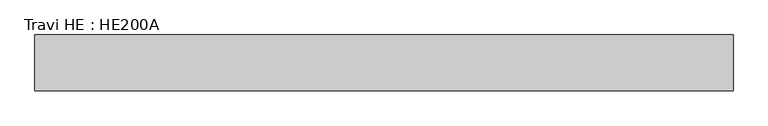
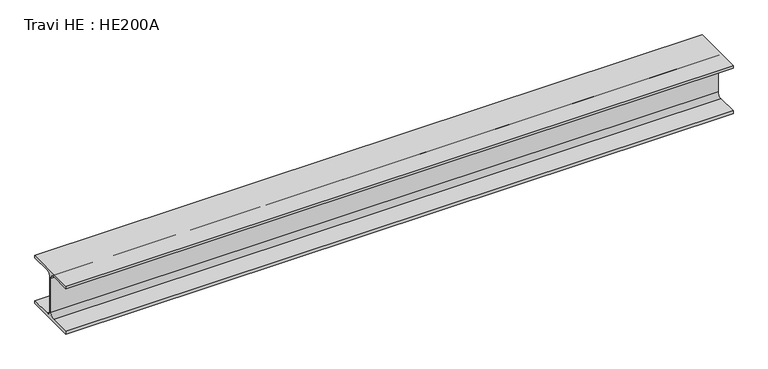
"""IFC4 building model written with IfcOpenShell, lengths in millimetres: beam geometry, Travi HE : HE200A."""

from ifc_helpers import new_model, si_unit, point, frame, frame_2d, origin, place, context, project, spatial, polyline, circle_curve, trimmed, segment, composite_curve, outline, extrude, source, transform, mapped, element, save


def travi_he_he200a_e0025ef2(model_context):
    return source(origin(), model_context, "Body", "SweptSolid", [
        extrude(outline(composite_curve([segment(polyline([(100.0, -85.0), (100.0, -95.0), (-100.0, -95.0), (-100.0, -85.0), (-21.25, -85.0)]), True, "CONTINUOUS"), segment(trimmed(circle_curve(frame_2d((-21.25, -67.0)), 18.0), [point((-21.25, -85.0))], [point((-3.25, -67.0))], True, "CARTESIAN"), True, "CONTINUOUS"), segment(polyline([(-3.25, -67.0), (-3.25, 67.0)]), True, "CONTINUOUS"), segment(trimmed(circle_curve(frame_2d((-21.25, 67.0)), 18.0), [point((-3.25, 67.0))], [point((-21.25, 85.0))], True, "CARTESIAN"), True, "CONTINUOUS"), segment(polyline([(-21.25, 85.0), (-100.0, 85.0), (-100.0, 95.0), (100.0, 95.0), (100.0, 85.0), (21.25, 85.0)]), True, "CONTINUOUS"), segment(trimmed(circle_curve(frame_2d((21.25, 67.0)), 18.0), [point((21.25, 85.0))], [point((3.25, 67.0))], True, "CARTESIAN"), True, "CONTINUOUS"), segment(polyline([(3.25, 67.0), (3.25, -67.0)]), True, "CONTINUOUS"), segment(trimmed(circle_curve(frame_2d((21.25, -67.0)), 18.0), [point((3.25, -67.0))], [point((21.25, -85.0))], True, "CARTESIAN"), True, "CONTINUOUS"), segment(polyline([(21.25, -85.0), (100.0, -85.0)]), True, "CONTINUOUS")], self_intersect=False)), frame((-1250.0, 0.0, 0.0), z_axis=(1.0, 0.0, 0.0), x_axis=(0.0, 1.0, 0.0)), (0.0, 0.0, 1.0), 2500.0),
    ])


if __name__ == "__main__":
    model = new_model("IFC4")
    model_context = context("Model", 3, world=origin())
    ifc_project = project(units=[si_unit("LENGTHUNIT", "METRE", prefix="MILLI")], contexts=[model_context])
    site = spatial("IfcSite", under=ifc_project)
    building = spatial("IfcBuilding", under=site)
    placement = place(None, origin())
    travi_he_he200a_shape = travi_he_he200a_e0025ef2(model_context)
    element("IfcBeam", 1, ObjectType="Travi HE : HE200A", at=placement, inside=building, context=model_context, shape_type="MappedRepresentation", body=[
        mapped(travi_he_he200a_shape, transform((0.0, 0.0, 0.0), x_axis=(1.0, 0.0, 0.0), y_axis=(0.0, 1.0, 0.0), z_axis=(0.0, 0.0, 1.0))),
    ])
    save(model, "model.ifc")
